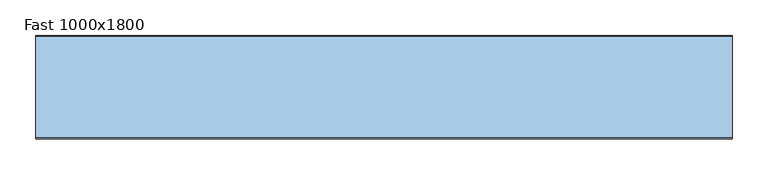
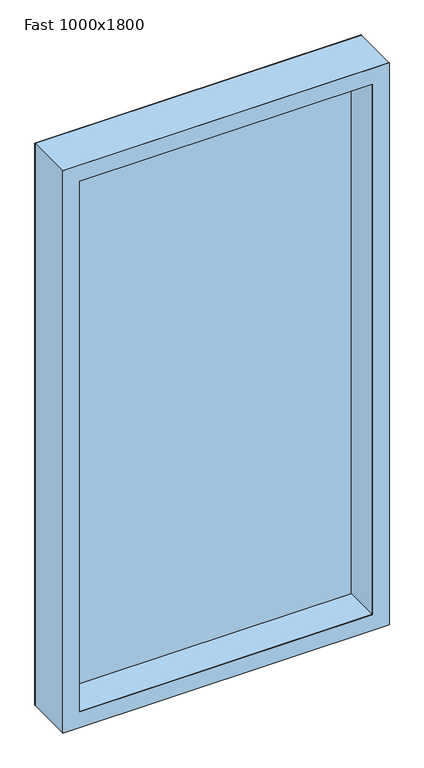
"""IFC4 building model written with IfcOpenShell, lengths in millimetres: window geometry, Fast 1000x1800."""

import ifcopenshell
import ifcopenshell.guid

model = None  # the IFC model being written
_history = None  # IfcOwnerHistory: only IFC2X3 demands one
_inside = {}  # id of a spatial element -> (the spatial element, [elements in it])
_under = {}  # id of a project, library or spatial element -> (it, [spatial elements below it])
_declared = {}  # id of a project -> (the project, [libraries it declares])
_typed = {}  # id of a type object -> (the type object, [elements of that type])
_made_of = {}  # id of a material, layer set ... -> (it, [elements and type objects made of it])


def new_model(schema):
    """Start an empty IFC model of exactly this schema.

    Asked for "IFC4X3", IfcOpenShell would pick the latest addendum, in which some entities
    have other attributes; the version numbers below select the first issue.
    IFC2X3 requires an IfcOwnerHistory on every rooted entity: one is made here for all.
    """
    global model, _history
    if schema == "IFC4X3":
        model = ifcopenshell.file(schema_version=(4, 3, 0, 0))
    else:
        model = ifcopenshell.file(schema=schema)
    _inside.clear()
    _under.clear()
    _declared.clear()
    _typed.clear()
    _made_of.clear()
    _history = None
    if model.schema == "IFC2X3":
        org = make("IfcOrganization", Name="unknown")
        user = make(
            "IfcPersonAndOrganization",
            ThePerson=make("IfcPerson", FamilyName="unknown"),
            TheOrganization=org,
        )
        app = make(
            "IfcApplication",
            ApplicationDeveloper=org,
            Version="unknown",
            ApplicationFullName="unknown",
            ApplicationIdentifier="unknown",
        )
        _history = make(
            "IfcOwnerHistory",
            OwningUser=user,
            OwningApplication=app,
            ChangeAction="ADDED",
            CreationDate=0,
        )
    return model


def make(cls, **values):
    """One entity of the class cls with the attributes given. An attribute that is None is left unset."""
    return model.create_entity(
        cls, **{name: value for name, value in values.items() if value is not None}
    )


def rooted(cls, **values):
    """An entity with a GlobalId (a new one), such as an element, a storey or a relation."""
    return make(cls, GlobalId=ifcopenshell.guid.new(), OwnerHistory=_history, **values)


def si_unit(unit_type, name, prefix=None):
    """IfcSIUnit, for example si_unit("LENGTHUNIT", "METRE", prefix="MILLI")."""
    return make("IfcSIUnit", UnitType=unit_type, Prefix=prefix, Name=name)


def assignment(units):
    """IfcUnitAssignment: the units of a project."""
    return None if units is None else make("IfcUnitAssignment", Units=units)


def point(xyz):
    """IfcCartesianPoint."""
    return None if xyz is None else make("IfcCartesianPoint", Coordinates=xyz)


def direction(xyz):
    """IfcDirection."""
    return None if xyz is None else make("IfcDirection", DirectionRatios=xyz)


def frame(location, z_axis=None, x_axis=None):
    """IfcAxis2Placement3D, a coordinate frame: its origin and axes. An axis left out is left unset."""
    return make(
        "IfcAxis2Placement3D",
        Location=point(location),
        Axis=direction(z_axis),
        RefDirection=direction(x_axis),
    )


def origin():
    """The frame at (0, 0, 0) with its axes left unset."""
    return frame((0.0, 0.0, 0.0))


def place(relative_to, where):
    """IfcLocalPlacement: puts the frame where relative to a parent placement (None: the world)."""
    return make(
        "IfcLocalPlacement", PlacementRelTo=relative_to, RelativePlacement=where
    )


def context(
    kind, dimensions, precision=None, world=None, true_north=None, identifier=None
):
    """IfcGeometricRepresentationContext, for example the 3D "Model" context."""
    return make(
        "IfcGeometricRepresentationContext",
        ContextIdentifier=identifier,
        ContextType=kind,
        CoordinateSpaceDimension=dimensions,
        Precision=precision,
        WorldCoordinateSystem=world,
        TrueNorth=true_north,
    )


def project(units=None, contexts=None):
    """IfcProject with its units and contexts."""
    return rooted(
        "IfcProject",
        Name="project",
        RepresentationContexts=contexts,
        UnitsInContext=assignment(units),
    )


def spatial(cls, under=None, at=None, **own):
    """A site, building, storey or space (cls), placed at a placement, below another one or the project."""
    s = rooted(cls, ObjectPlacement=at, **own)
    if under is not None:
        _under.setdefault(under.id(), (under, []))[1].append(s)
    return s


def polyline(points):
    """IfcPolyline through the points."""
    return make("IfcPolyline", Points=[point(p) for p in points])


def outline(outer, holes=None, kind="AREA"):
    """IfcArbitraryClosedProfileDef: a profile drawn as a closed curve; with holes, ...WithVoids."""
    if holes is None:
        return make("IfcArbitraryClosedProfileDef", ProfileType=kind, OuterCurve=outer)
    return make(
        "IfcArbitraryProfileDefWithVoids",
        ProfileType=kind,
        OuterCurve=outer,
        InnerCurves=holes,
    )


def extrude(swept, where, along, depth):
    """IfcExtrudedAreaSolid: the profile swept, set in the frame where, extruded along a direction by depth."""
    return make(
        "IfcExtrudedAreaSolid",
        SweptArea=swept,
        Position=where,
        ExtrudedDirection=direction(along),
        Depth=depth,
    )


def faces_of(points, faces, orient=None, outer=None):
    """IfcFace entities. A face is a list of loops; a loop is a list of indices into points, from 0.

    orient and outer hold one flag for each loop. By default every Orientation is true, the
    first loop of a face is its IfcFaceOuterBound and the others are IfcFaceBound.
    """
    made = []
    for i, loops in enumerate(faces):
        bounds = []
        for j, loop in enumerate(loops):
            is_outer = j == 0 if outer is None else outer[i][j]
            bounds.append(
                make(
                    "IfcFaceOuterBound" if is_outer else "IfcFaceBound",
                    Bound=make("IfcPolyLoop", Polygon=[points[k] for k in loop]),
                    Orientation=True if orient is None else orient[i][j],
                )
            )
        made.append(make("IfcFace", Bounds=bounds))
    return made


def faceted_brep(points, faces, orient=None, outer=None, voids=None):
    """IfcFacetedBrep: a solid bounded by flat faces; with voids (closed shells), ...WithVoids."""
    shared = [point(p) for p in points]
    hull = make("IfcClosedShell", CfsFaces=faces_of(shared, faces, orient, outer))
    if voids is None:
        return make("IfcFacetedBrep", Outer=hull)
    return make(
        "IfcFacetedBrepWithVoids",
        Outer=hull,
        Voids=[
            make(cls, CfsFaces=faces_of(shared, fs, o, b)) for cls, fs, o, b in voids
        ],
    )


def shape(context_of_items, identifier, shape_type, items):
    """IfcShapeRepresentation: the items that make up one representation, for example the "Body"."""
    return make(
        "IfcShapeRepresentation",
        ContextOfItems=context_of_items,
        RepresentationIdentifier=identifier,
        RepresentationType=shape_type,
        Items=items,
    )


def source(mapping_origin, context_of_items, identifier, shape_type, items):
    """IfcRepresentationMap: a shape defined once, which mapped items show again and again."""
    return make(
        "IfcRepresentationMap",
        MappingOrigin=mapping_origin,
        MappedRepresentation=shape(context_of_items, identifier, shape_type, items),
    )


def transform(
    local_origin,
    x_axis=None,
    y_axis=None,
    z_axis=None,
    scale=None,
    scale2=None,
    scale3=None,
    uniform=True,
):
    """IfcCartesianTransformationOperator3D, or its non-uniform kind. x_axis, y_axis, z_axis: its Axis1, 2, 3."""
    if uniform:
        return make(
            "IfcCartesianTransformationOperator3D",
            Axis1=direction(x_axis),
            Axis2=direction(y_axis),
            LocalOrigin=point(local_origin),
            Scale=scale,
            Axis3=direction(z_axis),
        )
    return make(
        "IfcCartesianTransformationOperator3DnonUniform",
        Axis1=direction(x_axis),
        Axis2=direction(y_axis),
        LocalOrigin=point(local_origin),
        Scale=scale,
        Axis3=direction(z_axis),
        Scale2=scale2,
        Scale3=scale3,
    )


def mapped(mapping_source, mapping_target):
    """IfcMappedItem: shows the shape of a source again, moved by a transform."""
    return make(
        "IfcMappedItem", MappingSource=mapping_source, MappingTarget=mapping_target
    )


def made_of(thing, what):
    """Note that an element or type object is made of a material, layer set ...; save() writes the relation."""
    if what is not None:
        _made_of.setdefault(what.id(), (what, []))[1].append(thing)
    return thing


def element(
    cls,
    number,
    at=None,
    inside=None,
    cuts=None,
    type_object=None,
    material=None,
    context=None,
    identifier="Body",
    shape_type=None,
    held_by="IfcProductDefinitionShape",
    body=None,
    shapes=None,
    **own,
):
    """One element of the class cls, such as IfcWall. Its Tag is "e" and its number.

    at: its placement. inside: the storey or other place that contains it. cuts: it is an
    opening in that element (IfcRelVoidsElement). A single representation is given by context,
    identifier, shape_type and body (its items); several are given by shapes. held_by: the class
    of the entity that holds the representations. save() writes the other relations.
    """
    e = rooted(cls, Tag="e%d" % number, ObjectPlacement=at, **own)
    if body is not None:
        shapes = [shape(context, identifier, shape_type, body)]
    if shapes is not None:
        e.Representation = make(held_by, Representations=shapes)
    if inside is not None:
        _inside.setdefault(inside.id(), (inside, []))[1].append(e)
    if cuts is not None:
        rooted(
            "IfcRelVoidsElement", RelatingBuildingElement=cuts, RelatedOpeningElement=e
        )
    if type_object is not None:
        _typed.setdefault(type_object.id(), (type_object, []))[1].append(e)
    return made_of(e, material)


def aggregate(whole, parts):
    """IfcRelAggregates: a whole, such as a stair, and the parts it consists of."""
    return rooted("IfcRelAggregates", RelatingObject=whole, RelatedObjects=parts)


def save(model, path):
    """Write the relations noted so far, then the file.

    IfcRelAggregates (storeys below a building ...), IfcRelContainedInSpatialStructure (elements
    in a storey), IfcRelDefinesByType, IfcRelAssociatesMaterial and IfcRelDeclares: one each for
    every whole, place, type object, material and project.
    """
    for whole, parts in _under.values():
        aggregate(whole, parts)
    for where, things in _inside.values():
        rooted(
            "IfcRelContainedInSpatialStructure",
            RelatedElements=things,
            RelatingStructure=where,
        )
    for kind, things in _typed.values():
        rooted("IfcRelDefinesByType", RelatedObjects=things, RelatingType=kind)
    for what, things in _made_of.values():
        rooted("IfcRelAssociatesMaterial", RelatedObjects=things, RelatingMaterial=what)
    for by, libraries in _declared.values():
        rooted("IfcRelDeclares", RelatingContext=by, RelatedDefinitions=libraries)
    model.write(path)


def fast_1000x1800_c7253ce6(model_context):
    return source(origin(), model_context, "Body", "SolidModel", [
        extrude(outline(polyline([(453.0, 40.0), (-453.0, 40.0), (-453.0, 65.0), (453.0, 65.0), (453.0, 40.0)])), frame((0.0, 0.0, 847.0), z_axis=(0.0, 0.0, 1.0), x_axis=(1.0, 0.0, 0.0)), (0.0, 0.0, 1.0), 1706.0),
        extrude(outline(polyline([(2588.0, 488.0), (2588.0, -488.0), (812.0, -488.0), (812.0, 488.0), (2588.0, 488.0)]), holes=[polyline([(2538.0, 438.0), (862.0, 438.0), (862.0, -438.0), (2538.0, -438.0), (2538.0, 438.0)])]), frame((0.0, -70.0, 0.0), z_axis=(0.0, 1.0, 0.0), x_axis=(0.0, 0.0, 1.0)), (0.0, 0.0, 1.0), 1.0),
        extrude(outline(polyline([(2588.0, -488.0), (812.0, -488.0), (812.0, 488.0), (2588.0, 488.0), (2588.0, -488.0)]), holes=[polyline([(2538.0, -438.0), (2538.0, 438.0), (862.0, 438.0), (862.0, -438.0), (2538.0, -438.0)])]), frame((0.0, 74.0, 0.0), z_axis=(0.0, 1.0, 0.0), x_axis=(0.0, 0.0, 1.0)), (0.0, 0.0, 1.0), 1.0),
        faceted_brep([(-438.0, 40.0, 2538.0), (-438.0, -69.0, 2538.0), (-438.0, -69.0, 862.0), (-438.0, 40.0, 862.0), (-488.0, -69.0, 812.0), (488.0, -69.0, 812.0), (488.0, -69.0, 2588.0), (-488.0, -69.0, 2588.0), (438.0, -69.0, 2538.0), (438.0, -69.0, 862.0), (438.0, 40.0, 862.0), (-453.0, 40.0, 2553.0), (453.0, 40.0, 2553.0), (453.0, 40.0, 847.0), (-453.0, 40.0, 847.0), (438.0, 40.0, 2538.0), (-488.0, 74.0, 2588.0), (-488.0, 74.0, 812.0), (488.0, 74.0, 2588.0), (488.0, 74.0, 812.0), (-438.0, 74.0, 862.0), (438.0, 74.0, 862.0), (438.0, 74.0, 2538.0), (-438.0, 74.0, 2538.0), (-438.0, 65.0, 2538.0), (-438.0, 65.0, 862.0), (-453.0, 65.0, 847.0), (453.0, 65.0, 847.0), (453.0, 65.0, 2553.0), (-453.0, 65.0, 2553.0), (438.0, 65.0, 2538.0), (438.0, 65.0, 862.0)], [[[0, 1, 2, 3]], [[4, 5, 6, 7], [1, 8, 9, 2]], [[3, 2, 9, 10]], [[11, 12, 13, 14], [3, 10, 15, 0]], [[7, 16, 17, 4]], [[16, 18, 19, 17], [20, 21, 22, 23]], [[4, 17, 19, 5]], [[23, 24, 25, 20]], [[26, 27, 28, 29], [24, 30, 31, 25]], [[20, 25, 31, 21]], [[29, 11, 14, 26]], [[26, 14, 13, 27]], [[10, 9, 8, 15]], [[5, 19, 18, 6]], [[21, 31, 30, 22]], [[27, 13, 12, 28]], [[15, 8, 1, 0]], [[6, 18, 16, 7]], [[22, 30, 24, 23]], [[28, 12, 11, 29]]]),
    ])


if __name__ == "__main__":
    model = new_model("IFC4")
    model_context = context("Model", 3, world=origin())
    ifc_project = project(units=[si_unit("LENGTHUNIT", "METRE", prefix="MILLI")], contexts=[model_context])
    site = spatial("IfcSite", under=ifc_project)
    building = spatial("IfcBuilding", under=site)
    placement = place(None, origin())
    fast_1000x1800_shape = fast_1000x1800_c7253ce6(model_context)
    element("IfcWindow", 1, ObjectType="Fast 1000x1800", at=placement, inside=building, context=model_context, shape_type="MappedRepresentation", body=[
        mapped(fast_1000x1800_shape, transform((0.0, 0.0, 0.0), x_axis=(1.0, 0.0, 0.0), y_axis=(0.0, 1.0, 0.0), z_axis=(0.0, 0.0, 1.0))),
    ])
    save(model, "model.ifc")
